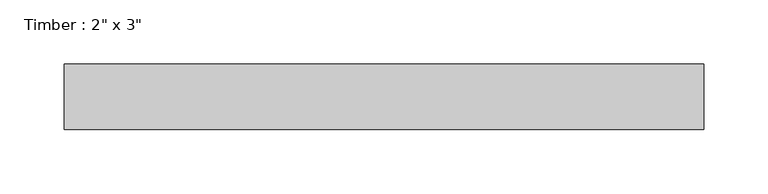
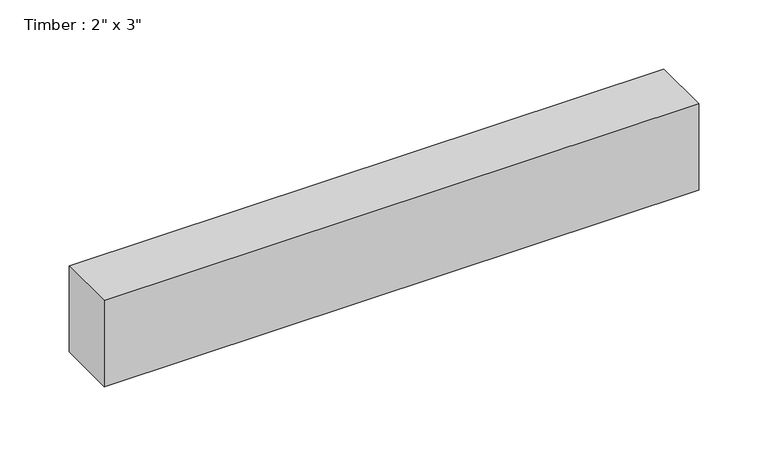
"""IFC4 building model written with IfcOpenShell, lengths in millimetres: beam geometry."""

from ifc_helpers import new_model, si_unit, frame, origin, place, context, project, spatial, polyline, outline, extrude, source, transform, mapped, element, save


def beam_f9261489(model_context):
    return source(origin(), model_context, "Body", "SweptSolid", [
        extrude(outline(polyline([(248.3840446, 25.4), (248.3840446, -25.4), (-248.3840446, -25.4), (-248.3840446, 25.4), (248.3840446, 25.4)])), frame((0.0, 0.0, -38.1), z_axis=(0.0, 0.0, 1.0), x_axis=(1.0, 0.0, 0.0)), (0.0, 0.0, 1.0), 76.2),
    ])


if __name__ == "__main__":
    model = new_model("IFC4")
    model_context = context("Model", 3, world=origin())
    ifc_project = project(units=[si_unit("LENGTHUNIT", "METRE", prefix="MILLI")], contexts=[model_context])
    site = spatial("IfcSite", under=ifc_project)
    building = spatial("IfcBuilding", under=site)
    placement = place(None, origin())
    beam_shape = beam_f9261489(model_context)
    element("IfcBeam", 1, ObjectType="Timber : 2\" x 3\"", at=placement, inside=building, context=model_context, shape_type="MappedRepresentation", body=[
        mapped(beam_shape, transform((0.0, 0.0, 0.0), x_axis=(1.0, 0.0, 0.0), y_axis=(0.0, 1.0, 0.0), z_axis=(0.0, 0.0, 1.0))),
    ])
    save(model, "model.ifc")
